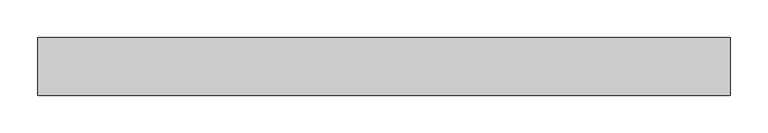
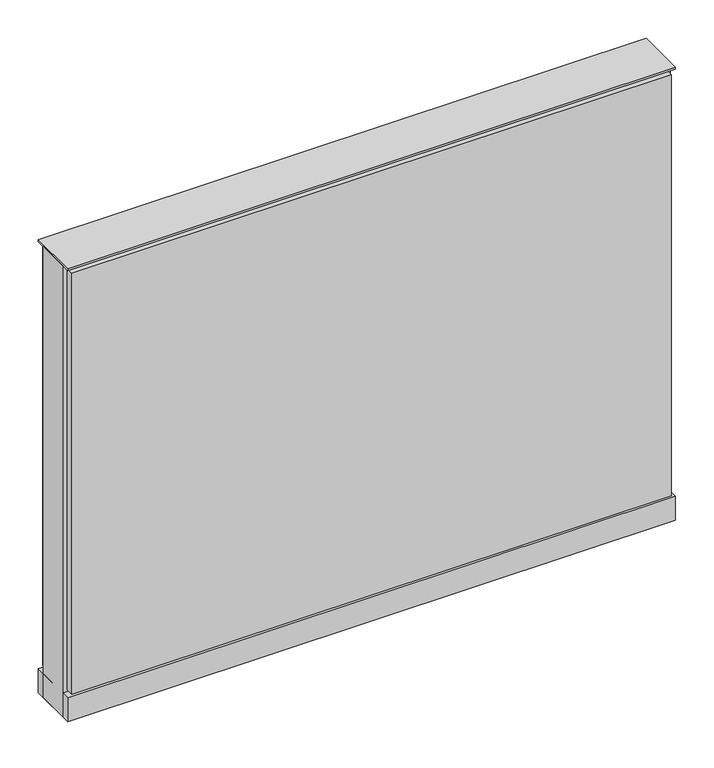
"""IFC4 building model written with IfcOpenShell, lengths in millimetres: furniture geometry."""

import ifcopenshell
import ifcopenshell.guid

model = None  # the IFC model being written
_history = None  # IfcOwnerHistory: only IFC2X3 demands one
_inside = {}  # id of a spatial element -> (the spatial element, [elements in it])
_under = {}  # id of a project, library or spatial element -> (it, [spatial elements below it])
_declared = {}  # id of a project -> (the project, [libraries it declares])
_typed = {}  # id of a type object -> (the type object, [elements of that type])
_made_of = {}  # id of a material, layer set ... -> (it, [elements and type objects made of it])


def new_model(schema):
    """Start an empty IFC model of exactly this schema.

    Asked for "IFC4X3", IfcOpenShell would pick the latest addendum, in which some entities
    have other attributes; the version numbers below select the first issue.
    IFC2X3 requires an IfcOwnerHistory on every rooted entity: one is made here for all.
    """
    global model, _history
    if schema == "IFC4X3":
        model = ifcopenshell.file(schema_version=(4, 3, 0, 0))
    else:
        model = ifcopenshell.file(schema=schema)
    _inside.clear()
    _under.clear()
    _declared.clear()
    _typed.clear()
    _made_of.clear()
    _history = None
    if model.schema == "IFC2X3":
        org = make("IfcOrganization", Name="unknown")
        user = make(
            "IfcPersonAndOrganization",
            ThePerson=make("IfcPerson", FamilyName="unknown"),
            TheOrganization=org,
        )
        app = make(
            "IfcApplication",
            ApplicationDeveloper=org,
            Version="unknown",
            ApplicationFullName="unknown",
            ApplicationIdentifier="unknown",
        )
        _history = make(
            "IfcOwnerHistory",
            OwningUser=user,
            OwningApplication=app,
            ChangeAction="ADDED",
            CreationDate=0,
        )
    return model


def make(cls, **values):
    """One entity of the class cls with the attributes given. An attribute that is None is left unset."""
    return model.create_entity(
        cls, **{name: value for name, value in values.items() if value is not None}
    )


def rooted(cls, **values):
    """An entity with a GlobalId (a new one), such as an element, a storey or a relation."""
    return make(cls, GlobalId=ifcopenshell.guid.new(), OwnerHistory=_history, **values)


def si_unit(unit_type, name, prefix=None):
    """IfcSIUnit, for example si_unit("LENGTHUNIT", "METRE", prefix="MILLI")."""
    return make("IfcSIUnit", UnitType=unit_type, Prefix=prefix, Name=name)


def assignment(units):
    """IfcUnitAssignment: the units of a project."""
    return None if units is None else make("IfcUnitAssignment", Units=units)


def point(xyz):
    """IfcCartesianPoint."""
    return None if xyz is None else make("IfcCartesianPoint", Coordinates=xyz)


def direction(xyz):
    """IfcDirection."""
    return None if xyz is None else make("IfcDirection", DirectionRatios=xyz)


def frame(location, z_axis=None, x_axis=None):
    """IfcAxis2Placement3D, a coordinate frame: its origin and axes. An axis left out is left unset."""
    return make(
        "IfcAxis2Placement3D",
        Location=point(location),
        Axis=direction(z_axis),
        RefDirection=direction(x_axis),
    )


def frame_2d(location, x_axis=None):
    """IfcAxis2Placement2D, a coordinate frame in the plane: its origin and x axis."""
    return make(
        "IfcAxis2Placement2D", Location=point(location), RefDirection=direction(x_axis)
    )


def origin():
    """The frame at (0, 0, 0) with its axes left unset."""
    return frame((0.0, 0.0, 0.0))


def origin_with_axes():
    """The frame at (0, 0, 0) with the z axis (0, 0, 1) and the x axis (1, 0, 0) written out."""
    return frame((0.0, 0.0, 0.0), z_axis=(0.0, 0.0, 1.0), x_axis=(1.0, 0.0, 0.0))


def place(relative_to, where):
    """IfcLocalPlacement: puts the frame where relative to a parent placement (None: the world)."""
    return make(
        "IfcLocalPlacement", PlacementRelTo=relative_to, RelativePlacement=where
    )


def context(
    kind, dimensions, precision=None, world=None, true_north=None, identifier=None
):
    """IfcGeometricRepresentationContext, for example the 3D "Model" context."""
    return make(
        "IfcGeometricRepresentationContext",
        ContextIdentifier=identifier,
        ContextType=kind,
        CoordinateSpaceDimension=dimensions,
        Precision=precision,
        WorldCoordinateSystem=world,
        TrueNorth=true_north,
    )


def project(units=None, contexts=None):
    """IfcProject with its units and contexts."""
    return rooted(
        "IfcProject",
        Name="project",
        RepresentationContexts=contexts,
        UnitsInContext=assignment(units),
    )


def spatial(cls, under=None, at=None, **own):
    """A site, building, storey or space (cls), placed at a placement, below another one or the project."""
    s = rooted(cls, ObjectPlacement=at, **own)
    if under is not None:
        _under.setdefault(under.id(), (under, []))[1].append(s)
    return s


def polyline(points):
    """IfcPolyline through the points."""
    return make("IfcPolyline", Points=[point(p) for p in points])


def circle_curve(where, radius):
    """IfcCircle in the frame where."""
    return make("IfcCircle", Position=where, Radius=radius)


def trimmed(basis, trim1, trim2, sense, master):
    """IfcTrimmedCurve: the piece of a basis curve between two trims."""
    return make(
        "IfcTrimmedCurve",
        BasisCurve=basis,
        Trim1=trim1,
        Trim2=trim2,
        SenseAgreement=sense,
        MasterRepresentation=master,
    )


def segment(curve, same_sense, transition):
    """IfcCompositeCurveSegment."""
    return make(
        "IfcCompositeCurveSegment",
        Transition=transition,
        SameSense=same_sense,
        ParentCurve=curve,
    )


def composite_curve(segments, self_intersect=None):
    """IfcCompositeCurve: segments joined end to end."""
    return make("IfcCompositeCurve", Segments=segments, SelfIntersect=self_intersect)


def outline(outer, holes=None, kind="AREA"):
    """IfcArbitraryClosedProfileDef: a profile drawn as a closed curve; with holes, ...WithVoids."""
    if holes is None:
        return make("IfcArbitraryClosedProfileDef", ProfileType=kind, OuterCurve=outer)
    return make(
        "IfcArbitraryProfileDefWithVoids",
        ProfileType=kind,
        OuterCurve=outer,
        InnerCurves=holes,
    )


def extrude(swept, where, along, depth):
    """IfcExtrudedAreaSolid: the profile swept, set in the frame where, extruded along a direction by depth."""
    return make(
        "IfcExtrudedAreaSolid",
        SweptArea=swept,
        Position=where,
        ExtrudedDirection=direction(along),
        Depth=depth,
    )


def shape(context_of_items, identifier, shape_type, items):
    """IfcShapeRepresentation: the items that make up one representation, for example the "Body"."""
    return make(
        "IfcShapeRepresentation",
        ContextOfItems=context_of_items,
        RepresentationIdentifier=identifier,
        RepresentationType=shape_type,
        Items=items,
    )


def source(mapping_origin, context_of_items, identifier, shape_type, items):
    """IfcRepresentationMap: a shape defined once, which mapped items show again and again."""
    return make(
        "IfcRepresentationMap",
        MappingOrigin=mapping_origin,
        MappedRepresentation=shape(context_of_items, identifier, shape_type, items),
    )


def transform(
    local_origin,
    x_axis=None,
    y_axis=None,
    z_axis=None,
    scale=None,
    scale2=None,
    scale3=None,
    uniform=True,
):
    """IfcCartesianTransformationOperator3D, or its non-uniform kind. x_axis, y_axis, z_axis: its Axis1, 2, 3."""
    if uniform:
        return make(
            "IfcCartesianTransformationOperator3D",
            Axis1=direction(x_axis),
            Axis2=direction(y_axis),
            LocalOrigin=point(local_origin),
            Scale=scale,
            Axis3=direction(z_axis),
        )
    return make(
        "IfcCartesianTransformationOperator3DnonUniform",
        Axis1=direction(x_axis),
        Axis2=direction(y_axis),
        LocalOrigin=point(local_origin),
        Scale=scale,
        Axis3=direction(z_axis),
        Scale2=scale2,
        Scale3=scale3,
    )


def mapped(mapping_source, mapping_target):
    """IfcMappedItem: shows the shape of a source again, moved by a transform."""
    return make(
        "IfcMappedItem", MappingSource=mapping_source, MappingTarget=mapping_target
    )


def made_of(thing, what):
    """Note that an element or type object is made of a material, layer set ...; save() writes the relation."""
    if what is not None:
        _made_of.setdefault(what.id(), (what, []))[1].append(thing)
    return thing


def element(
    cls,
    number,
    at=None,
    inside=None,
    cuts=None,
    type_object=None,
    material=None,
    context=None,
    identifier="Body",
    shape_type=None,
    held_by="IfcProductDefinitionShape",
    body=None,
    shapes=None,
    **own,
):
    """One element of the class cls, such as IfcWall. Its Tag is "e" and its number.

    at: its placement. inside: the storey or other place that contains it. cuts: it is an
    opening in that element (IfcRelVoidsElement). A single representation is given by context,
    identifier, shape_type and body (its items); several are given by shapes. held_by: the class
    of the entity that holds the representations. save() writes the other relations.
    """
    e = rooted(cls, Tag="e%d" % number, ObjectPlacement=at, **own)
    if body is not None:
        shapes = [shape(context, identifier, shape_type, body)]
    if shapes is not None:
        e.Representation = make(held_by, Representations=shapes)
    if inside is not None:
        _inside.setdefault(inside.id(), (inside, []))[1].append(e)
    if cuts is not None:
        rooted(
            "IfcRelVoidsElement", RelatingBuildingElement=cuts, RelatedOpeningElement=e
        )
    if type_object is not None:
        _typed.setdefault(type_object.id(), (type_object, []))[1].append(e)
    return made_of(e, material)


def aggregate(whole, parts):
    """IfcRelAggregates: a whole, such as a stair, and the parts it consists of."""
    return rooted("IfcRelAggregates", RelatingObject=whole, RelatedObjects=parts)


def save(model, path):
    """Write the relations noted so far, then the file.

    IfcRelAggregates (storeys below a building ...), IfcRelContainedInSpatialStructure (elements
    in a storey), IfcRelDefinesByType, IfcRelAssociatesMaterial and IfcRelDeclares: one each for
    every whole, place, type object, material and project.
    """
    for whole, parts in _under.values():
        aggregate(whole, parts)
    for where, things in _inside.values():
        rooted(
            "IfcRelContainedInSpatialStructure",
            RelatedElements=things,
            RelatingStructure=where,
        )
    for kind, things in _typed.values():
        rooted("IfcRelDefinesByType", RelatedObjects=things, RelatingType=kind)
    for what, things in _made_of.values():
        rooted("IfcRelAssociatesMaterial", RelatedObjects=things, RelatingMaterial=what)
    for by, libraries in _declared.values():
        rooted("IfcRelDeclares", RelatingContext=by, RelatedDefinitions=libraries)
    model.write(path)


def furniture_c0970c38(model_context):
    return source(origin(), model_context, "Body", "SweptSolid", [
        extrude(outline(composite_curve([segment(trimmed(circle_curve(frame_2d((383.4402902, 0.0)), 12.7), [point((370.7402902, 0.0))], [point((396.1402902, 0.0))], False, "CARTESIAN"), True, "CONTINUOUS"), segment(trimmed(circle_curve(frame_2d((383.4402902, 0.0)), 12.7), [point((396.1402902, 0.0))], [point((370.7402902, 0.0))], False, "CARTESIAN"), True, "CONTINUOUS")], self_intersect=False)), origin_with_axes(), (0.0, 0.0, 1.0), 12.7),
        extrude(outline(composite_curve([segment(trimmed(circle_curve(frame_2d((-378.5597098, 0.0)), 12.7), [point((-391.2597098, 0.0))], [point((-365.8597098, 0.0))], False, "CARTESIAN"), True, "CONTINUOUS"), segment(trimmed(circle_curve(frame_2d((-378.5597098, 0.0)), 12.7), [point((-365.8597098, 0.0))], [point((-391.2597098, 0.0))], False, "CARTESIAN"), True, "CONTINUOUS")], self_intersect=False)), origin_with_axes(), (0.0, 0.0, 1.0), 12.7),
        extrude(outline(polyline([(453.2902902, 38.1), (453.2902902, 25.4), (-448.4097098, 25.4), (-448.4097098, 38.1), (453.2902902, 38.1)])), frame((0.0, 0.0, 53.975), z_axis=(0.0, 0.0, 1.0), x_axis=(1.0, 0.0, 0.0)), (0.0, 0.0, 1.0), 669.925),
        extrude(outline(polyline([(453.2902902, -38.1), (-448.4097098, -38.1), (-448.4097098, -25.4), (453.2902902, -25.4), (453.2902902, -38.1)])), frame((0.0, 0.0, 53.975), z_axis=(0.0, 0.0, 1.0), x_axis=(1.0, 0.0, 0.0)), (0.0, 0.0, 1.0), 669.925),
        extrude(outline(polyline([(459.6402902, 25.4), (459.6402902, -25.4), (-454.7597098, -25.4), (-454.7597098, 25.4), (459.6402902, 25.4)])), frame((0.0, 0.0, 12.7), z_axis=(0.0, 0.0, 1.0), x_axis=(1.0, 0.0, 0.0)), (0.0, 0.0, 1.0), 717.55),
        extrude(outline(polyline([(-454.7597098, -38.1), (-454.7597098, 38.1), (459.6402902, 38.1), (459.6402902, -38.1), (-454.7597098, -38.1)])), frame((0.0, 0.0, 12.7), z_axis=(0.0, 0.0, 1.0), x_axis=(1.0, 0.0, 0.0)), (0.0, 0.0, 1.0), 38.1),
        extrude(outline(polyline([(-454.7597098, -38.1), (-454.7597098, 38.1), (459.6402902, 38.1), (459.6402902, -38.1), (-454.7597098, -38.1)])), frame((0.0, 0.0, 730.25), z_axis=(0.0, 0.0, 1.0), x_axis=(1.0, 0.0, 0.0)), (0.0, 0.0, 1.0), 3.175),
    ])


if __name__ == "__main__":
    model = new_model("IFC4")
    model_context = context("Model", 3, world=origin())
    ifc_project = project(units=[si_unit("LENGTHUNIT", "METRE", prefix="MILLI")], contexts=[model_context])
    site = spatial("IfcSite", under=ifc_project)
    building = spatial("IfcBuilding", under=site)
    placement = place(None, origin())
    furniture_shape = furniture_c0970c38(model_context)
    element("IfcFurniture", 1, at=placement, inside=building, context=model_context, shape_type="MappedRepresentation", body=[
        mapped(furniture_shape, transform((0.0, 0.0, 0.0), x_axis=(1.0, 0.0, 0.0), y_axis=(0.0, 1.0, 0.0), z_axis=(0.0, 0.0, 1.0))),
    ])
    save(model, "model.ifc")
